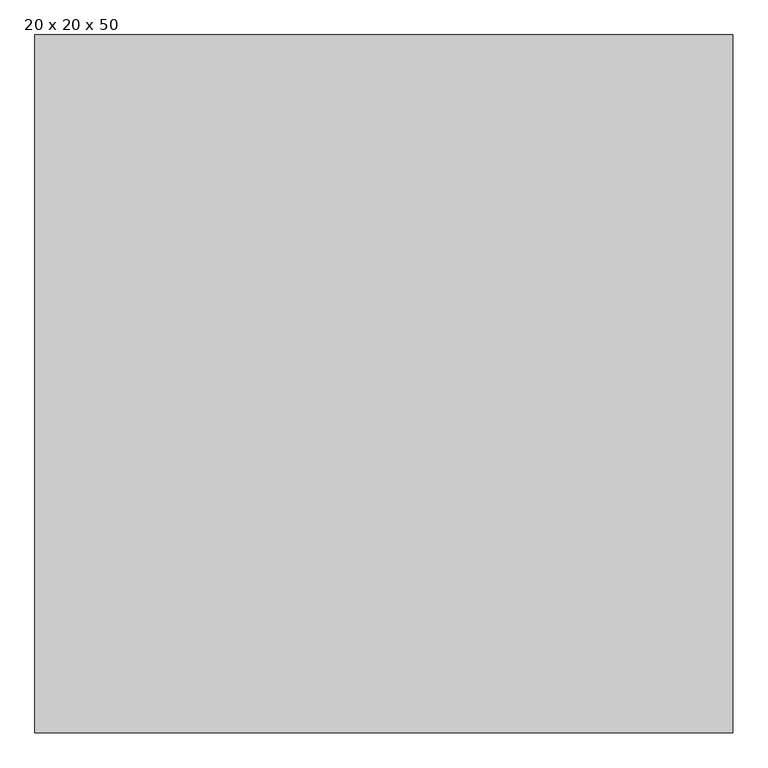
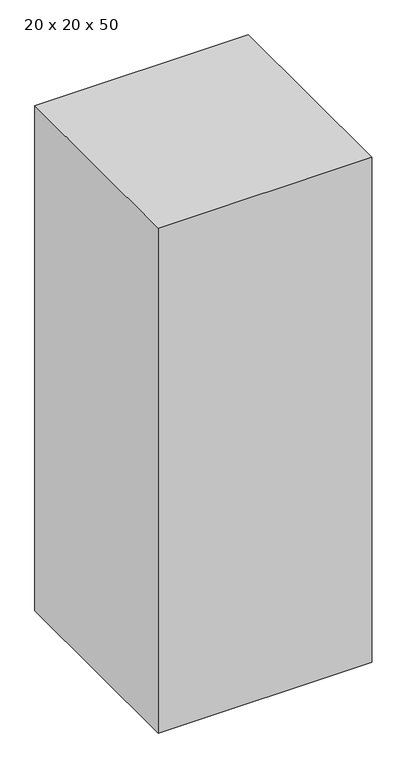
"""IFC4 building model written with IfcOpenShell, lengths in millimetres: proxy geometry, 20 x 20 x 50."""

from ifc_helpers import new_model, si_unit, origin, origin_with_axes, place, context, project, spatial, polyline, outline, extrude, source, transform, mapped, element, save


def proxy_20_x_20_x_50_3dcaf453(model_context):
    return source(origin(), model_context, "Body", "SweptSolid", [
        extrude(outline(polyline([(20000.0, 0.0), (0.0, 0.0), (0.0, 20000.0), (20000.0, 20000.0), (20000.0, 0.0)])), origin_with_axes(), (0.0, 0.0, 1.0), 50000.0),
    ])


if __name__ == "__main__":
    model = new_model("IFC4")
    model_context = context("Model", 3, world=origin())
    ifc_project = project(units=[si_unit("LENGTHUNIT", "METRE", prefix="MILLI")], contexts=[model_context])
    site = spatial("IfcSite", under=ifc_project)
    building = spatial("IfcBuilding", under=site)
    placement = place(None, origin())
    proxy_20_x_20_x_50_shape = proxy_20_x_20_x_50_3dcaf453(model_context)
    element("IfcBuildingElementProxy", 1, Name="20 x 20 x 50", ObjectType="20 x 20 x 50", at=placement, inside=building, context=model_context, shape_type="MappedRepresentation", body=[
        mapped(proxy_20_x_20_x_50_shape, transform((0.0, 0.0, 0.0), x_axis=(1.0, 0.0, 0.0), y_axis=(0.0, 1.0, 0.0), z_axis=(0.0, 0.0, 1.0))),
    ])
    save(model, "model.ifc")
